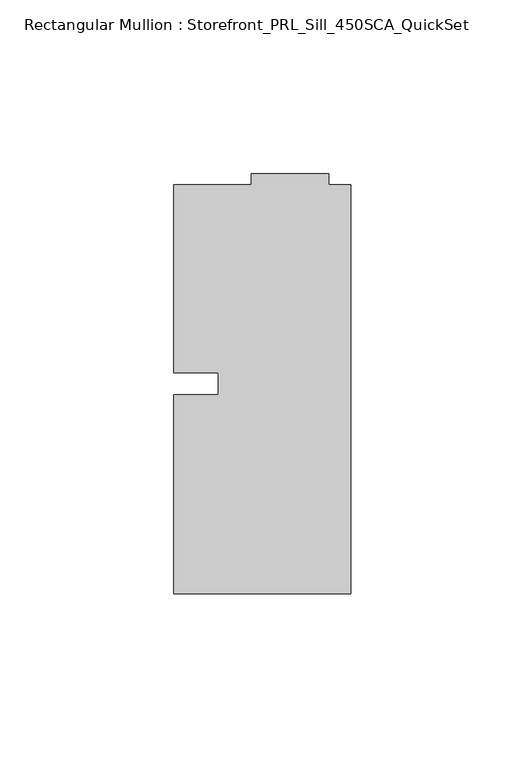
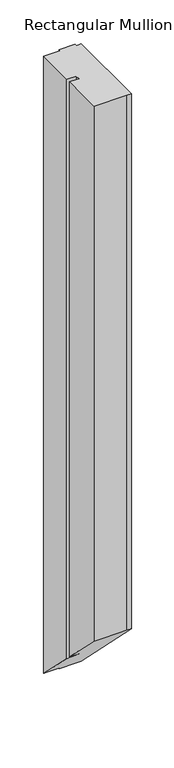
"""IFC4 building model written with IfcOpenShell, lengths in millimetres: member geometry, Rectangular Mullion : Storefront_PRL_Sill_450SCA_QuickSet."""

from ifc_helpers import new_model, si_unit, origin, place, context, project, spatial, faceted_brep, source, transform, mapped, element, save


def rectangular_mullion_storefront_prl_sill_450sca_quickset_f35b57c0(model_context):
    return source(origin(), model_context, "Body", "Brep", [
        faceted_brep([(-38.1, -3.175, 0.0), (-50.8, -3.175, 0.0), (-50.8, -60.325, 0.0), (-6.35, -60.325, 0.0), (0.0, -60.325, 0.0), (0.0, 57.15, 0.0), (-6.35, 57.15, 0.0), (-6.35, 60.325, 0.0), (-28.575, 60.325, 0.0), (-28.575, 57.15, 0.0), (-50.8, 57.15, 0.0), (-50.8, 3.175, 0.0), (-38.1, 3.175, 0.0), (-38.1, -3.175, -823.3833333), (-50.8, -3.175, -823.3833333), (-50.8, -60.325, -766.2333333), (-6.35, -60.325, -766.2333333), (0.0, -60.325, -766.2333333), (0.0, 57.15, -883.7083333), (-6.35, 57.15, -883.7083333), (-6.35, 60.325, -886.8833333), (-28.575, 60.325, -886.8833333), (-28.575, 57.15, -883.7083333), (-50.8, 57.15, -883.7083333), (-50.8, 3.175, -829.7333333), (-38.1, 3.175, -829.7333333)], [[[0, 1, 2, 3, 4, 5, 6, 7, 8, 9, 10, 11, 12]], [[1, 0, 13, 14]], [[2, 1, 14, 15]], [[3, 2, 15, 16]], [[4, 3, 16, 17]], [[5, 4, 17, 18]], [[6, 5, 18, 19]], [[7, 6, 19, 20]], [[8, 7, 20, 21]], [[9, 8, 21, 22]], [[10, 9, 22, 23]], [[11, 10, 23, 24]], [[12, 11, 24, 25]], [[0, 12, 25, 13]], [[13, 25, 24, 23, 22, 21, 20, 19, 18, 17, 16, 15, 14]]]),
    ])


if __name__ == "__main__":
    model = new_model("IFC4")
    model_context = context("Model", 3, world=origin())
    ifc_project = project(units=[si_unit("LENGTHUNIT", "METRE", prefix="MILLI")], contexts=[model_context])
    site = spatial("IfcSite", under=ifc_project)
    building = spatial("IfcBuilding", under=site)
    placement = place(None, origin())
    rectangular_mullion_storefront_prl_sill_450sca_quickset_shape = rectangular_mullion_storefront_prl_sill_450sca_quickset_f35b57c0(model_context)
    element("IfcMember", 1, ObjectType="Rectangular Mullion : Storefront_PRL_Sill_450SCA_QuickSet", at=placement, inside=building, context=model_context, shape_type="MappedRepresentation", body=[
        mapped(rectangular_mullion_storefront_prl_sill_450sca_quickset_shape, transform((0.0, 0.0, 0.0), x_axis=(1.0, 0.0, 0.0), y_axis=(0.0, 1.0, 0.0), z_axis=(0.0, 0.0, 1.0))),
    ])
    save(model, "model.ifc")
